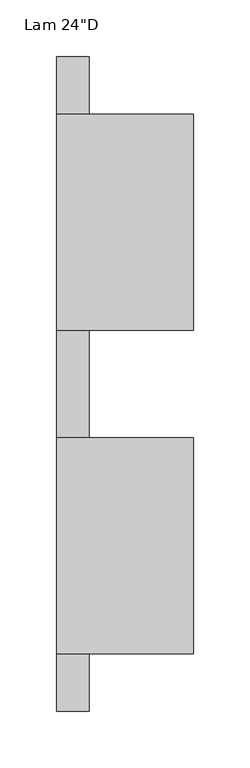
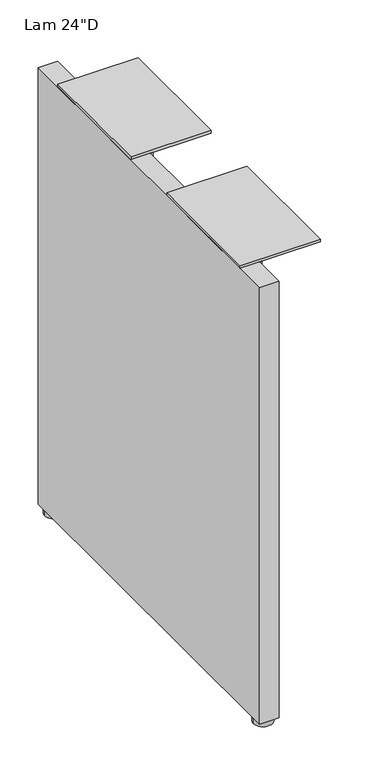
"""IFC4 building model written with IfcOpenShell, lengths in millimetres: furniture geometry."""

from ifc_helpers import new_model, si_unit, frame, origin, place, context, project, spatial, polyline, circle_curve, outline, extrude, source, transform, mapped, element, save
from ifc_brep_helpers import plane_surface, cylinder_surface, advanced_brep


def furniture_4e7c7da3(model_context):
    return source(origin(), model_context, "Body", "SolidModel", [
        extrude(outline(polyline([(-263.8239799, 658.2156222), (-263.8239799, 702.6656222), (-73.3239799, 702.6656222), (-73.3239799, 658.2156222), (-100.3114799, 631.2281222), (-236.8364799, 631.2281222), (-263.8239799, 658.2156222)])), frame((-733.144401, 0.0, 0.0), z_axis=(1.0, 0.0, 0.0), x_axis=(0.0, 1.0, 0.0)), (0.0, 0.0, 1.0), 4.318),
        extrude(outline(polyline([(21.1640201, 702.6656222), (211.6640201, 702.6656222), (211.6640201, 658.2156222), (184.6765201, 631.2281222), (48.1515201, 631.2281222), (21.1640201, 658.2156222), (21.1640201, 702.6656222)])), frame((-733.144401, 0.0, 0.0), z_axis=(1.0, 0.0, 0.0), x_axis=(0.0, 1.0, 0.0)), (0.0, 0.0, 1.0), 4.318),
        extrude(outline(polyline([(-761.998801, -314.6239799), (-761.998801, 262.4640201), (-733.144401, 262.4640201), (-733.144401, -314.6239799), (-761.998801, -314.6239799)])), frame((0.0, 0.0, 8.6614), z_axis=(0.0, 0.0, 1.0), x_axis=(1.0, 0.0, 0.0)), (0.0, 0.0, 1.0), 694.0042222),
        advanced_brep(
        [(-733.284101, 246.5890201, 0.0), (-761.859101, 246.5890201, 0.0), (-747.571601, 246.5890201, 0.0), (-733.284101, 246.5890201, 7.874), (-761.859101, 246.5890201, 7.874), (-742.809101, 246.5890201, 7.874), (-752.334101, 246.5890201, 7.874), (-742.809101, 246.5890201, 8.6614), (-752.334101, 246.5890201, 8.6614), (-747.571601, 246.5890201, 8.6614)],
        [
            (0, 1, circle_curve(frame((-747.571601, 246.5890201, 0.0), z_axis=(0.0, 0.0, -1.0), x_axis=(-1.0, 0.0, 0.0)), 14.2875)),
            (1, 2),
            (2, 0),
            (1, 0, circle_curve(frame((-747.571601, 246.5890201, 0.0), z_axis=(0.0, 0.0, -1.0), x_axis=(-1.0, 0.0, 0.0)), 14.2875)),
            (3, 4, circle_curve(frame((-747.571601, 246.5890201, 7.874), z_axis=(0.0, 0.0, -1.0), x_axis=(-1.0, 0.0, 0.0)), 14.2875)),
            (4, 1),
            (0, 3),
            (4, 3, circle_curve(frame((-747.571601, 246.5890201, 7.874), z_axis=(0.0, 0.0, -1.0), x_axis=(-1.0, 0.0, 0.0)), 14.2875)),
            (5, 6, circle_curve(frame((-747.571601, 246.5890201, 7.874), z_axis=(0.0, 0.0, -1.0), x_axis=(-1.0, 0.0, 0.0)), 4.7625)),
            (6, 4),
            (3, 5),
            (6, 5, circle_curve(frame((-747.571601, 246.5890201, 7.874), z_axis=(0.0, 0.0, -1.0), x_axis=(-1.0, 0.0, 0.0)), 4.7625)),
            (7, 8, circle_curve(frame((-747.571601, 246.5890201, 8.6614), z_axis=(0.0, 0.0, -1.0), x_axis=(-1.0, 0.0, 0.0)), 4.7625)),
            (8, 6),
            (5, 7),
            (8, 7, circle_curve(frame((-747.571601, 246.5890201, 8.6614), z_axis=(0.0, 0.0, -1.0), x_axis=(-1.0, 0.0, 0.0)), 4.7625)),
            (9, 8),
            (7, 9),
        ],
        [
            plane_surface(frame((-747.571601, 246.5890201, 0.0), z_axis=(0.0, 0.0, -1.0), x_axis=(-1.0, 0.0, 0.0))),
            cylinder_surface(frame((-747.571601, 246.5890201, -2.6032322), z_axis=(0.0, 0.0, 1.0), x_axis=(-1.0, 0.0, 0.0)), 14.2875),
            plane_surface(frame((-747.571601, 246.5890201, 7.874), z_axis=(0.0, 0.0, 1.0), x_axis=(-1.0, 0.0, 0.0))),
            cylinder_surface(frame((-747.571601, 246.5890201, -2.6032322), z_axis=(0.0, 0.0, 1.0), x_axis=(-1.0, 0.0, 0.0)), 4.7625),
            plane_surface(frame((-747.571601, 246.5890201, 8.6614), z_axis=(0.0, 0.0, 1.0), x_axis=(-1.0, 0.0, 0.0))),
        ],
        [
            (0, [[1, 2, 3]]),
            (0, [[4, -3, -2]]),
            (1, [[5, 6, -1, 7]]),
            (1, [[8, -7, -4, -6]]),
            (2, [[9, 10, -5, 11]]),
            (2, [[12, -11, -8, -10]]),
            (3, [[13, 14, -9, 15]]),
            (3, [[16, -15, -12, -14]]),
            (4, [[17, -13, 18]]),
            (4, [[-18, -16, -17]]),
        ],
    ),
        extrude(outline(polyline([(-641.348801, -73.3239799), (-641.348801, -263.8239799), (-761.998801, -263.8239799), (-761.998801, -73.3239799), (-641.348801, -73.3239799)])), frame((0.0, 0.0, 702.6656222), z_axis=(0.0, 0.0, 1.0), x_axis=(1.0, 0.0, 0.0)), (0.0, 0.0, 1.0), 4.3434),
        extrude(outline(polyline([(-641.348801, 211.6640201), (-641.348801, 21.1640201), (-761.998801, 21.1640201), (-761.998801, 211.6640201), (-641.348801, 211.6640201)])), frame((0.0, 0.0, 702.6656222), z_axis=(0.0, 0.0, 1.0), x_axis=(1.0, 0.0, 0.0)), (0.0, 0.0, 1.0), 4.3434),
        advanced_brep(
        [(-733.284101, -298.7489799, 0.0), (-761.859101, -298.7489799, 0.0), (-747.571601, -298.7489799, 0.0), (-733.284101, -298.7489799, 7.874), (-761.859101, -298.7489799, 7.874), (-742.809101, -298.7489799, 7.874), (-752.334101, -298.7489799, 7.874), (-742.809101, -298.7489799, 8.6614), (-752.334101, -298.7489799, 8.6614), (-747.571601, -298.7489799, 8.6614)],
        [
            (0, 1, circle_curve(frame((-747.571601, -298.7489799, 0.0), z_axis=(0.0, 0.0, -1.0), x_axis=(-1.0, 0.0, 0.0)), 14.2875)),
            (1, 2),
            (2, 0),
            (1, 0, circle_curve(frame((-747.571601, -298.7489799, 0.0), z_axis=(0.0, 0.0, -1.0), x_axis=(-1.0, 0.0, 0.0)), 14.2875)),
            (3, 4, circle_curve(frame((-747.571601, -298.7489799, 7.874), z_axis=(0.0, 0.0, -1.0), x_axis=(-1.0, 0.0, 0.0)), 14.2875)),
            (4, 1),
            (0, 3),
            (4, 3, circle_curve(frame((-747.571601, -298.7489799, 7.874), z_axis=(0.0, 0.0, -1.0), x_axis=(-1.0, 0.0, 0.0)), 14.2875)),
            (5, 6, circle_curve(frame((-747.571601, -298.7489799, 7.874), z_axis=(0.0, 0.0, -1.0), x_axis=(-1.0, 0.0, 0.0)), 4.7625)),
            (6, 4),
            (3, 5),
            (6, 5, circle_curve(frame((-747.571601, -298.7489799, 7.874), z_axis=(0.0, 0.0, -1.0), x_axis=(-1.0, 0.0, 0.0)), 4.7625)),
            (7, 8, circle_curve(frame((-747.571601, -298.7489799, 8.6614), z_axis=(0.0, 0.0, -1.0), x_axis=(-1.0, 0.0, 0.0)), 4.7625)),
            (8, 6),
            (5, 7),
            (8, 7, circle_curve(frame((-747.571601, -298.7489799, 8.6614), z_axis=(0.0, 0.0, -1.0), x_axis=(-1.0, 0.0, 0.0)), 4.7625)),
            (9, 8),
            (7, 9),
        ],
        [
            plane_surface(frame((-747.571601, -298.7489799, 0.0), z_axis=(0.0, 0.0, -1.0), x_axis=(-1.0, 0.0, 0.0))),
            cylinder_surface(frame((-747.571601, -298.7489799, -2.6032322), z_axis=(0.0, 0.0, 1.0), x_axis=(-1.0, 0.0, 0.0)), 14.2875),
            plane_surface(frame((-747.571601, -298.7489799, 7.874), z_axis=(0.0, 0.0, 1.0), x_axis=(-1.0, 0.0, 0.0))),
            cylinder_surface(frame((-747.571601, -298.7489799, -2.6032322), z_axis=(0.0, 0.0, 1.0), x_axis=(-1.0, 0.0, 0.0)), 4.7625),
            plane_surface(frame((-747.571601, -298.7489799, 8.6614), z_axis=(0.0, 0.0, 1.0), x_axis=(-1.0, 0.0, 0.0))),
        ],
        [
            (0, [[1, 2, 3]]),
            (0, [[4, -3, -2]]),
            (1, [[5, 6, -1, 7]]),
            (1, [[8, -7, -4, -6]]),
            (2, [[9, 10, -5, 11]]),
            (2, [[12, -11, -8, -10]]),
            (3, [[13, 14, -9, 15]]),
            (3, [[16, -15, -12, -14]]),
            (4, [[17, -13, 18]]),
            (4, [[-18, -16, -17]]),
        ],
    ),
    ])


if __name__ == "__main__":
    model = new_model("IFC4")
    model_context = context("Model", 3, world=origin())
    ifc_project = project(units=[si_unit("LENGTHUNIT", "METRE", prefix="MILLI")], contexts=[model_context])
    site = spatial("IfcSite", under=ifc_project)
    building = spatial("IfcBuilding", under=site)
    placement = place(None, origin())
    furniture_shape = furniture_4e7c7da3(model_context)
    element("IfcFurniture", 1, ObjectType="Lam 24\"D", at=placement, inside=building, context=model_context, shape_type="MappedRepresentation", body=[
        mapped(furniture_shape, transform((0.0, 0.0, 0.0), x_axis=(1.0, 0.0, 0.0), y_axis=(0.0, 1.0, 0.0), z_axis=(0.0, 0.0, 1.0))),
    ])
    save(model, "model.ifc")
